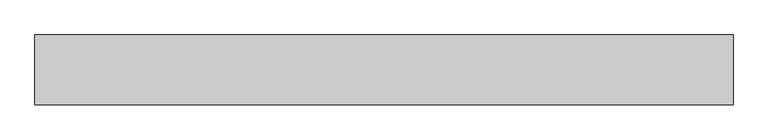
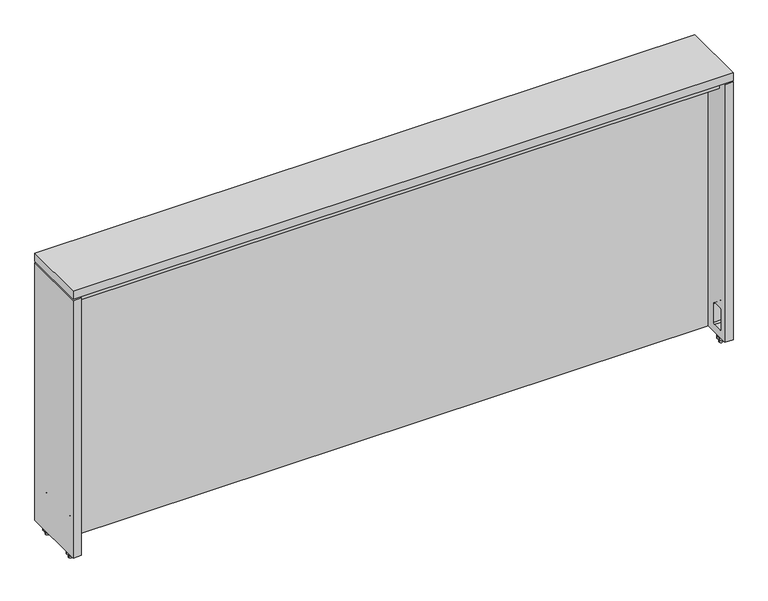
"""IFC4 building model written with IfcOpenShell, lengths in millimetres: furniture geometry."""

from ifc_helpers import new_model, si_unit, frame, origin, place, context, project, spatial, polyline, circle_curve, outline, extrude, source, transform, mapped, element, save
from ifc_brep_helpers import plane_surface, cylinder_surface, revolved_surface, advanced_brep


def furniture_98c60b58(model_context):
    return source(origin(), model_context, "Body", "SolidModel", [
        advanced_brep(
        [(14.8424964, 46.4820011, 675.8939913), (7.0007436, 46.4820011, 675.8939913), (14.8424964, 46.4820011, 657.1431009), (7.0007436, 46.4820011, 657.1431009), (14.8424964, 46.4820011, 672.103743), (7.0007436, 46.4820011, 672.103743), (7.0007436, 46.4820011, 665.7536945), (14.8424964, 46.4820011, 665.7536945), (7.9135991, 58.3669548, 672.103743), (4.1875161, 51.9131905, 672.103743), (3.6826201, 50.0288929, 672.103743), (3.6826201, 43.00498, 672.103743), (4.2224512, 40.9903023, 672.103743), (7.9107277, 34.6020186, 672.103743), (13.9325135, 34.6020186, 672.103743), (17.6207899, 40.9903023, 672.103743), (18.160621, 43.00498, 672.103743), (18.160621, 50.0288929, 672.103743), (17.655725, 51.9131905, 672.103743), (13.929642, 58.3669548, 672.103743), (7.9135991, 58.3669548, 665.7536945), (13.929642, 58.3669548, 665.7536945), (17.655725, 51.9131905, 665.7536945), (18.160621, 50.0288929, 665.7536945), (18.160621, 43.00498, 665.7536945), (17.6207899, 40.9903023, 665.7536945), (13.9325135, 34.6020186, 665.7536945), (7.9107277, 34.6020186, 665.7536945), (4.2224512, 40.9903023, 665.7536945), (3.6826201, 43.00498, 665.7536945), (3.6826201, 50.0288929, 665.7536945), (4.1875161, 51.9131905, 665.7536945)],
        [
            (0, 1, circle_curve(frame((10.92162, 46.4820011, 675.8939913), z_axis=(0.0, 0.0, 1.0), x_axis=(-1.0, 0.0, 0.0)), 3.9208764)),
            (1, 0, circle_curve(frame((10.92162, 46.4820011, 675.8939913), z_axis=(0.0, 0.0, 1.0), x_axis=(-1.0, 0.0, 0.0)), 3.9208764)),
            (2, 3, circle_curve(frame((10.92162, 46.4820011, 657.1431009), z_axis=(0.0, 0.0, -1.0), x_axis=(-1.0, 0.0, 0.0)), 3.9208764)),
            (3, 2, circle_curve(frame((10.92162, 46.4820011, 657.1431009), z_axis=(0.0, 0.0, -1.0), x_axis=(-1.0, 0.0, 0.0)), 3.9208764)),
            (0, 4),
            (4, 5, circle_curve(frame((10.92162, 46.4820011, 672.103743), z_axis=(0.0, 0.0, 1.0), x_axis=(-1.0, 0.0, 0.0)), 3.9208764)),
            (5, 1),
            (3, 6),
            (6, 7, circle_curve(frame((10.92162, 46.4820011, 665.7536945), z_axis=(0.0, 0.0, -1.0), x_axis=(-1.0, 0.0, 0.0)), 3.9208764)),
            (7, 2),
            (5, 4, circle_curve(frame((10.92162, 46.4820011, 672.103743), z_axis=(0.0, 0.0, 1.0), x_axis=(-1.0, 0.0, 0.0)), 3.9208764)),
            (7, 6, circle_curve(frame((10.92162, 46.4820011, 665.7536945), z_axis=(0.0, 0.0, -1.0), x_axis=(-1.0, 0.0, 0.0)), 3.9208764)),
            (8, 9),
            (9, 10, circle_curve(frame((7.4512149, 50.0288929, 672.103743), z_axis=(0.0, 0.0, 1.0), x_axis=(-1.0, 0.0, 0.0)), 3.7685949)),
            (10, 11),
            (11, 12, circle_curve(frame((7.7119762, 43.00498, 672.103743), z_axis=(0.0, 0.0, 1.0), x_axis=(-1.0, 0.0, 0.0)), 4.0293561)),
            (12, 13),
            (13, 14, circle_curve(frame((10.9216206, 36.340358, 672.103743), z_axis=(0.0, 0.0, 1.0), x_axis=(-1.0, 0.0, 0.0)), 3.4766794)),
            (14, 15),
            (15, 16, circle_curve(frame((14.1312649, 43.00498, 672.103743), z_axis=(0.0, 0.0, 1.0), x_axis=(-1.0, 0.0, 0.0)), 4.0293561)),
            (16, 17),
            (17, 18, circle_curve(frame((14.3920262, 50.0288929, 672.103743), z_axis=(0.0, 0.0, 1.0), x_axis=(-1.0, 0.0, 0.0)), 3.7685949)),
            (18, 19),
            (19, 8, circle_curve(frame((10.9216206, 56.6302727, 672.103743), z_axis=(0.0, 0.0, 1.0), x_axis=(-1.0, 0.0, 0.0)), 3.4733641)),
            (20, 21, circle_curve(frame((10.9216206, 56.6302727, 665.7536945), z_axis=(0.0, 0.0, -1.0), x_axis=(-1.0, 0.0, 0.0)), 3.4733641)),
            (21, 22),
            (22, 23, circle_curve(frame((14.3920262, 50.0288929, 665.7536945), z_axis=(0.0, 0.0, -1.0), x_axis=(-1.0, 0.0, 0.0)), 3.7685949)),
            (23, 24),
            (24, 25, circle_curve(frame((14.1312649, 43.00498, 665.7536945), z_axis=(0.0, 0.0, -1.0), x_axis=(-1.0, 0.0, 0.0)), 4.0293561)),
            (25, 26),
            (26, 27, circle_curve(frame((10.9216206, 36.340358, 665.7536945), z_axis=(0.0, 0.0, -1.0), x_axis=(-1.0, 0.0, 0.0)), 3.4766794)),
            (27, 28),
            (28, 29, circle_curve(frame((7.7119762, 43.00498, 665.7536945), z_axis=(0.0, 0.0, -1.0), x_axis=(-1.0, 0.0, 0.0)), 4.0293561)),
            (29, 30),
            (30, 31, circle_curve(frame((7.4512149, 50.0288929, 665.7536945), z_axis=(0.0, 0.0, -1.0), x_axis=(-1.0, 0.0, 0.0)), 3.7685949)),
            (31, 20),
            (8, 20),
            (31, 9),
            (30, 10),
            (29, 11),
            (28, 12),
            (27, 13),
            (26, 14),
            (25, 15),
            (24, 16),
            (23, 17),
            (22, 18),
            (21, 19),
        ],
        [
            plane_surface(frame((7.0007436, 46.4820011, 675.8939913), z_axis=(0.0, 0.0, 1.0), x_axis=(0.0, -1.0, 0.0))),
            plane_surface(frame((7.0007436, 46.4820011, 657.1431009), z_axis=(0.0, 0.0, -1.0), x_axis=(0.0, 1.0, 0.0))),
            cylinder_surface(frame((10.92162, 46.4820011, 657.1431009), z_axis=(0.0, 0.0, 1.0), x_axis=(-1.0, 0.0, 0.0)), 3.9208764),
            plane_surface(frame((4.0845438, 51.7348373, 672.103743), z_axis=(0.0, 0.0, 1.0), x_axis=(-0.5000000389322666, -0.8660253813068829, 0.0))),
            plane_surface(frame((4.0845438, 51.7348373, 665.7536945), z_axis=(0.0, 0.0, -1.0), x_axis=(0.5000000389322666, 0.8660253813068829, 0.0))),
            plane_surface(frame((7.9135991, 58.3669548, 672.103743), z_axis=(-0.8660253813068829, 0.5000000389322666, 0.0), x_axis=(0.0, 0.0, -1.0))),
            cylinder_surface(frame((7.4512149, 50.0288929, 665.7536945), z_axis=(0.0, 0.0, 1.0), x_axis=(-1.0, 0.0, 0.0)), 3.7685949),
            plane_surface(frame((3.6826201, 50.0288929, 672.103743), z_axis=(-1.0, 0.0, 0.0), x_axis=(0.0, 0.0, -1.0))),
            cylinder_surface(frame((7.7119762, 43.00498, 665.7536945), z_axis=(0.0, 0.0, 1.0), x_axis=(-1.0, 0.0, 0.0)), 4.0293561),
            plane_surface(frame((4.2224512, 40.9903023, 672.103743), z_axis=(-0.8660254554111491, -0.49999991057990395, 0.0), x_axis=(0.0, 0.0, -1.0))),
            cylinder_surface(frame((10.9216206, 36.340358, 665.7536945), z_axis=(0.0, 0.0, 1.0), x_axis=(-1.0, 0.0, 0.0)), 3.4766794),
            plane_surface(frame((13.9325135, 34.6020186, 672.103743), z_axis=(0.8660254554111534, -0.4999999105798964, 0.0), x_axis=(0.0, 0.0, -1.0))),
            cylinder_surface(frame((14.1312649, 43.00498, 665.7536945), z_axis=(0.0, 0.0, 1.0), x_axis=(-1.0, 0.0, 0.0)), 4.0293561),
            plane_surface(frame((18.160621, 43.00498, 672.103743), z_axis=(1.0, 0.0, 0.0), x_axis=(0.0, 0.0, -1.0))),
            cylinder_surface(frame((14.3920262, 50.0288929, 665.7536945), z_axis=(0.0, 0.0, 1.0), x_axis=(-1.0, 0.0, 0.0)), 3.7685949),
            plane_surface(frame((17.655725, 51.9131905, 672.103743), z_axis=(0.8660253813068899, 0.5000000389322544, 0.0), x_axis=(0.0, 0.0, -1.0))),
            cylinder_surface(frame((10.9216206, 56.6302727, 665.7536945), z_axis=(0.0, 0.0, 1.0), x_axis=(-1.0, 0.0, 0.0)), 3.4733641),
        ],
        [
            (0, [[1, 2]]),
            (1, [[3, 4]]),
            (2, [[-1, 5, 6, 7]]),
            (2, [[-4, 8, 9, 10]]),
            (2, [[-2, -7, 11, -5]]),
            (2, [[-3, -10, 12, -8]]),
            (3, [[13, 14, 15, 16, 17, 18, 19, 20, 21, 22, 23, 24], [-6, -11]]),
            (4, [[25, 26, 27, 28, 29, 30, 31, 32, 33, 34, 35, 36], [-9, -12]]),
            (5, [[-13, 37, -36, 38]]),
            (6, [[-14, -38, -35, 39]]),
            (7, [[-15, -39, -34, 40]]),
            (8, [[-16, -40, -33, 41]]),
            (9, [[-17, -41, -32, 42]]),
            (10, [[-18, -42, -31, 43]]),
            (11, [[-19, -43, -30, 44]]),
            (12, [[-20, -44, -29, 45]]),
            (13, [[-21, -45, -28, 46]]),
            (14, [[-22, -46, -27, 47]]),
            (15, [[-23, -47, -26, 48]]),
            (16, [[-24, -48, -25, -37]]),
        ],
    ),
        advanced_brep(
        [(14.8424964, -46.4820011, 675.8939913), (7.0007436, -46.4820011, 675.8939913), (14.8424964, -46.4820011, 657.1431009), (7.0007436, -46.4820011, 657.1431009), (14.8424964, -46.4820011, 672.103743), (7.0007436, -46.4820011, 672.103743), (7.0007436, -46.4820011, 665.7536945), (14.8424964, -46.4820011, 665.7536945), (7.9135991, -58.3669548, 672.103743), (13.929642, -58.3669548, 672.103743), (17.655725, -51.9131905, 672.103743), (18.160621, -50.0288929, 672.103743), (18.160621, -43.00498, 672.103743), (17.6207899, -40.9903023, 672.103743), (13.9325135, -34.6020186, 672.103743), (7.9107277, -34.6020186, 672.103743), (4.2224512, -40.9903023, 672.103743), (3.6826201, -43.00498, 672.103743), (3.6826201, -50.0288929, 672.103743), (4.1875161, -51.9131905, 672.103743), (7.9135991, -58.3669548, 665.7536945), (4.1875161, -51.9131905, 665.7536945), (3.6826201, -50.0288929, 665.7536945), (3.6826201, -43.00498, 665.7536945), (4.2224512, -40.9903023, 665.7536945), (7.9107277, -34.6020186, 665.7536945), (13.9325135, -34.6020186, 665.7536945), (17.6207899, -40.9903023, 665.7536945), (18.160621, -43.00498, 665.7536945), (18.160621, -50.0288929, 665.7536945), (17.655725, -51.9131905, 665.7536945), (13.929642, -58.3669548, 665.7536945)],
        [
            (0, 1, circle_curve(frame((10.92162, -46.4820011, 675.8939913), z_axis=(0.0, 0.0, 1.0), x_axis=(-1.0, 0.0, 0.0)), 3.9208764)),
            (1, 0, circle_curve(frame((10.92162, -46.4820011, 675.8939913), z_axis=(0.0, 0.0, 1.0), x_axis=(-1.0, 0.0, 0.0)), 3.9208764)),
            (2, 3, circle_curve(frame((10.92162, -46.4820011, 657.1431009), z_axis=(0.0, 0.0, -1.0), x_axis=(-1.0, 0.0, 0.0)), 3.9208764)),
            (3, 2, circle_curve(frame((10.92162, -46.4820011, 657.1431009), z_axis=(0.0, 0.0, -1.0), x_axis=(-1.0, 0.0, 0.0)), 3.9208764)),
            (0, 4),
            (4, 5, circle_curve(frame((10.92162, -46.4820011, 672.103743), z_axis=(0.0, 0.0, 1.0), x_axis=(-1.0, 0.0, 0.0)), 3.9208764)),
            (5, 1),
            (3, 6),
            (6, 7, circle_curve(frame((10.92162, -46.4820011, 665.7536945), z_axis=(0.0, 0.0, -1.0), x_axis=(-1.0, 0.0, 0.0)), 3.9208764)),
            (7, 2),
            (5, 4, circle_curve(frame((10.92162, -46.4820011, 672.103743), z_axis=(0.0, 0.0, 1.0), x_axis=(-1.0, 0.0, 0.0)), 3.9208764)),
            (7, 6, circle_curve(frame((10.92162, -46.4820011, 665.7536945), z_axis=(0.0, 0.0, -1.0), x_axis=(-1.0, 0.0, 0.0)), 3.9208764)),
            (8, 9, circle_curve(frame((10.9216206, -56.6302727, 672.103743), z_axis=(0.0, 0.0, 1.0), x_axis=(-1.0, 0.0, 0.0)), 3.4733641)),
            (9, 10),
            (10, 11, circle_curve(frame((14.3920262, -50.0288929, 672.103743), z_axis=(0.0, 0.0, 1.0), x_axis=(-1.0, 0.0, 0.0)), 3.7685949)),
            (11, 12),
            (12, 13, circle_curve(frame((14.1312649, -43.00498, 672.103743), z_axis=(0.0, 0.0, 1.0), x_axis=(-1.0, 0.0, 0.0)), 4.0293561)),
            (13, 14),
            (14, 15, circle_curve(frame((10.9216206, -36.340358, 672.103743), z_axis=(0.0, 0.0, 1.0), x_axis=(-1.0, 0.0, 0.0)), 3.4766794)),
            (15, 16),
            (16, 17, circle_curve(frame((7.7119762, -43.00498, 672.103743), z_axis=(0.0, 0.0, 1.0), x_axis=(-1.0, 0.0, 0.0)), 4.0293561)),
            (17, 18),
            (18, 19, circle_curve(frame((7.4512149, -50.0288929, 672.103743), z_axis=(0.0, 0.0, 1.0), x_axis=(-1.0, 0.0, 0.0)), 3.7685949)),
            (19, 8),
            (20, 21),
            (21, 22, circle_curve(frame((7.4512149, -50.0288929, 665.7536945), z_axis=(0.0, 0.0, -1.0), x_axis=(-1.0, 0.0, 0.0)), 3.7685949)),
            (22, 23),
            (23, 24, circle_curve(frame((7.7119762, -43.00498, 665.7536945), z_axis=(0.0, 0.0, -1.0), x_axis=(-1.0, 0.0, 0.0)), 4.0293561)),
            (24, 25),
            (25, 26, circle_curve(frame((10.9216206, -36.340358, 665.7536945), z_axis=(0.0, 0.0, -1.0), x_axis=(-1.0, 0.0, 0.0)), 3.4766794)),
            (26, 27),
            (27, 28, circle_curve(frame((14.1312649, -43.00498, 665.7536945), z_axis=(0.0, 0.0, -1.0), x_axis=(-1.0, 0.0, 0.0)), 4.0293561)),
            (28, 29),
            (29, 30, circle_curve(frame((14.3920262, -50.0288929, 665.7536945), z_axis=(0.0, 0.0, -1.0), x_axis=(-1.0, 0.0, 0.0)), 3.7685949)),
            (30, 31),
            (31, 20, circle_curve(frame((10.9216206, -56.6302727, 665.7536945), z_axis=(0.0, 0.0, -1.0), x_axis=(-1.0, 0.0, 0.0)), 3.4733641)),
            (8, 20),
            (31, 9),
            (30, 10),
            (29, 11),
            (28, 12),
            (27, 13),
            (26, 14),
            (25, 15),
            (24, 16),
            (23, 17),
            (22, 18),
            (21, 19),
        ],
        [
            plane_surface(frame((7.0007436, 46.4820011, 675.8939913), z_axis=(0.0, 0.0, 1.0), x_axis=(0.0, -1.0, 0.0))),
            plane_surface(frame((7.0007436, 46.4820011, 657.1431009), z_axis=(0.0, 0.0, -1.0), x_axis=(0.0, 1.0, 0.0))),
            cylinder_surface(frame((10.92162, -46.4820011, 657.1431009), z_axis=(0.0, 0.0, 1.0), x_axis=(-1.0, 0.0, 0.0)), 3.9208764),
            plane_surface(frame((4.0845438, 51.7348373, 672.103743), z_axis=(0.0, 0.0, 1.0), x_axis=(-0.5000000389322666, -0.8660253813068829, 0.0))),
            plane_surface(frame((4.0845438, 51.7348373, 665.7536945), z_axis=(0.0, 0.0, -1.0), x_axis=(0.5000000389322666, 0.8660253813068829, 0.0))),
            cylinder_surface(frame((10.9216206, -56.6302727, 657.1431009), z_axis=(0.0, 0.0, 1.0), x_axis=(-1.0, 0.0, 0.0)), 3.4733641),
            plane_surface(frame((13.929642, -58.3669548, 672.103743), z_axis=(0.8660253813068899, -0.5000000389322544, 0.0), x_axis=(0.0, 0.0, -1.0))),
            cylinder_surface(frame((14.3920262, -50.0288929, 657.1431009), z_axis=(0.0, 0.0, 1.0), x_axis=(-1.0, 0.0, 0.0)), 3.7685949),
            plane_surface(frame((18.160621, -50.0288929, 672.103743), z_axis=(1.0, 0.0, 0.0), x_axis=(0.0, 0.0, -1.0))),
            cylinder_surface(frame((14.1312649, -43.00498, 657.1431009), z_axis=(0.0, 0.0, 1.0), x_axis=(-1.0, 0.0, 0.0)), 4.0293561),
            plane_surface(frame((17.6207899, -40.9903023, 672.103743), z_axis=(0.8660254554111536, 0.4999999105798962, 0.0), x_axis=(0.0, 0.0, -1.0))),
            cylinder_surface(frame((10.9216206, -36.340358, 657.1431009), z_axis=(0.0, 0.0, 1.0), x_axis=(-1.0, 0.0, 0.0)), 3.4766794),
            plane_surface(frame((7.9107277, -34.6020186, 672.103743), z_axis=(-0.8660254554111491, 0.49999991057990395, 0.0), x_axis=(0.0, 0.0, -1.0))),
            cylinder_surface(frame((7.7119762, -43.00498, 657.1431009), z_axis=(0.0, 0.0, 1.0), x_axis=(-1.0, 0.0, 0.0)), 4.0293561),
            plane_surface(frame((3.6826201, -43.00498, 672.103743), z_axis=(-1.0, 0.0, 0.0), x_axis=(0.0, 0.0, -1.0))),
            cylinder_surface(frame((7.4512149, -50.0288929, 657.1431009), z_axis=(0.0, 0.0, 1.0), x_axis=(-1.0, 0.0, 0.0)), 3.7685949),
            plane_surface(frame((4.1875161, -51.9131905, 672.103743), z_axis=(-0.8660253813068829, -0.5000000389322666, 0.0), x_axis=(0.0, 0.0, -1.0))),
        ],
        [
            (0, [[1, 2]]),
            (1, [[3, 4]]),
            (2, [[-1, 5, 6, 7]]),
            (2, [[-4, 8, 9, 10]]),
            (2, [[-2, -7, 11, -5]]),
            (2, [[-3, -10, 12, -8]]),
            (3, [[13, 14, 15, 16, 17, 18, 19, 20, 21, 22, 23, 24], [-6, -11]]),
            (4, [[25, 26, 27, 28, 29, 30, 31, 32, 33, 34, 35, 36], [-9, -12]]),
            (5, [[-13, 37, -36, 38]]),
            (6, [[-14, -38, -35, 39]]),
            (7, [[-15, -39, -34, 40]]),
            (8, [[-16, -40, -33, 41]]),
            (9, [[-17, -41, -32, 42]]),
            (10, [[-18, -42, -31, 43]]),
            (11, [[-19, -43, -30, 44]]),
            (12, [[-20, -44, -29, 45]]),
            (13, [[-21, -45, -28, 46]]),
            (14, [[-22, -46, -27, 47]]),
            (15, [[-23, -47, -26, 48]]),
            (16, [[-24, -48, -25, -37]]),
        ],
    ),
        advanced_brep(
        [(1516.9992564, 46.4820011, 675.8939913), (1509.1575036, 46.4820011, 675.8939913), (1516.9992564, 46.4820011, 657.1431009), (1509.1575036, 46.4820011, 657.1431009), (1516.9992564, 46.4820011, 672.103743), (1509.1575036, 46.4820011, 672.103743), (1509.1575036, 46.4820011, 665.7536945), (1516.9992564, 46.4820011, 665.7536945), (1516.0864009, 58.3669548, 672.103743), (1510.070358, 58.3669548, 672.103743), (1506.344275, 51.9131905, 672.103743), (1505.839379, 50.0288929, 672.103743), (1505.839379, 43.00498, 672.103743), (1506.3792101, 40.9903023, 672.103743), (1510.0674865, 34.6020186, 672.103743), (1516.0892723, 34.6020186, 672.103743), (1519.7775488, 40.9903023, 672.103743), (1520.3173799, 43.00498, 672.103743), (1520.3173799, 50.0288929, 672.103743), (1519.8124839, 51.9131905, 672.103743), (1516.0864009, 58.3669548, 665.7536945), (1519.8124839, 51.9131905, 665.7536945), (1520.3173799, 50.0288929, 665.7536945), (1520.3173799, 43.00498, 665.7536945), (1519.7775488, 40.9903023, 665.7536945), (1516.0892723, 34.6020186, 665.7536945), (1510.0674865, 34.6020186, 665.7536945), (1506.3792101, 40.9903023, 665.7536945), (1505.839379, 43.00498, 665.7536945), (1505.839379, 50.0288929, 665.7536945), (1506.344275, 51.9131905, 665.7536945), (1510.070358, 58.3669548, 665.7536945)],
        [
            (0, 1, circle_curve(frame((1513.07838, 46.4820011, 675.8939913), z_axis=(0.0, 0.0, 1.0), x_axis=(-1.0, 0.0, 0.0)), 3.9208764)),
            (1, 0, circle_curve(frame((1513.07838, 46.4820011, 675.8939913), z_axis=(0.0, 0.0, 1.0), x_axis=(-1.0, 0.0, 0.0)), 3.9208764)),
            (2, 3, circle_curve(frame((1513.07838, 46.4820011, 657.1431009), z_axis=(0.0, 0.0, -1.0), x_axis=(-1.0, 0.0, 0.0)), 3.9208764)),
            (3, 2, circle_curve(frame((1513.07838, 46.4820011, 657.1431009), z_axis=(0.0, 0.0, -1.0), x_axis=(-1.0, 0.0, 0.0)), 3.9208764)),
            (0, 4),
            (4, 5, circle_curve(frame((1513.07838, 46.4820011, 672.103743), z_axis=(0.0, 0.0, 1.0), x_axis=(-1.0, 0.0, 0.0)), 3.9208764)),
            (5, 1),
            (3, 6),
            (6, 7, circle_curve(frame((1513.07838, 46.4820011, 665.7536945), z_axis=(0.0, 0.0, -1.0), x_axis=(-1.0, 0.0, 0.0)), 3.9208764)),
            (7, 2),
            (5, 4, circle_curve(frame((1513.07838, 46.4820011, 672.103743), z_axis=(0.0, 0.0, 1.0), x_axis=(-1.0, 0.0, 0.0)), 3.9208764)),
            (7, 6, circle_curve(frame((1513.07838, 46.4820011, 665.7536945), z_axis=(0.0, 0.0, -1.0), x_axis=(-1.0, 0.0, 0.0)), 3.9208764)),
            (8, 9, circle_curve(frame((1513.0783794, 56.6302727, 672.103743), z_axis=(0.0, 0.0, 1.0), x_axis=(-1.0, 0.0, 0.0)), 3.4733641)),
            (9, 10),
            (10, 11, circle_curve(frame((1509.6079738, 50.0288929, 672.103743), z_axis=(0.0, 0.0, 1.0), x_axis=(-1.0, 0.0, 0.0)), 3.7685949)),
            (11, 12),
            (12, 13, circle_curve(frame((1509.8687351, 43.00498, 672.103743), z_axis=(0.0, 0.0, 1.0), x_axis=(-1.0, 0.0, 0.0)), 4.0293561)),
            (13, 14),
            (14, 15, circle_curve(frame((1513.0783794, 36.340358, 672.103743), z_axis=(0.0, 0.0, 1.0), x_axis=(-1.0, 0.0, 0.0)), 3.4766794)),
            (15, 16),
            (16, 17, circle_curve(frame((1516.2880238, 43.00498, 672.103743), z_axis=(0.0, 0.0, 1.0), x_axis=(-1.0, 0.0, 0.0)), 4.0293561)),
            (17, 18),
            (18, 19, circle_curve(frame((1516.5487851, 50.0288929, 672.103743), z_axis=(0.0, 0.0, 1.0), x_axis=(-1.0, 0.0, 0.0)), 3.7685949)),
            (19, 8),
            (20, 21),
            (21, 22, circle_curve(frame((1516.5487851, 50.0288929, 665.7536945), z_axis=(0.0, 0.0, -1.0), x_axis=(-1.0, 0.0, 0.0)), 3.7685949)),
            (22, 23),
            (23, 24, circle_curve(frame((1516.2880238, 43.00498, 665.7536945), z_axis=(0.0, 0.0, -1.0), x_axis=(-1.0, 0.0, 0.0)), 4.0293561)),
            (24, 25),
            (25, 26, circle_curve(frame((1513.0783794, 36.340358, 665.7536945), z_axis=(0.0, 0.0, -1.0), x_axis=(-1.0, 0.0, 0.0)), 3.4766794)),
            (26, 27),
            (27, 28, circle_curve(frame((1509.8687351, 43.00498, 665.7536945), z_axis=(0.0, 0.0, -1.0), x_axis=(-1.0, 0.0, 0.0)), 4.0293561)),
            (28, 29),
            (29, 30, circle_curve(frame((1509.6079738, 50.0288929, 665.7536945), z_axis=(0.0, 0.0, -1.0), x_axis=(-1.0, 0.0, 0.0)), 3.7685949)),
            (30, 31),
            (31, 20, circle_curve(frame((1513.0783794, 56.6302727, 665.7536945), z_axis=(0.0, 0.0, -1.0), x_axis=(-1.0, 0.0, 0.0)), 3.4733641)),
            (8, 20),
            (31, 9),
            (30, 10),
            (29, 11),
            (28, 12),
            (27, 13),
            (26, 14),
            (25, 15),
            (24, 16),
            (23, 17),
            (22, 18),
            (21, 19),
        ],
        [
            plane_surface(frame((7.0007436, 46.4820011, 675.8939913), z_axis=(0.0, 0.0, 1.0), x_axis=(0.0, -1.0, 0.0))),
            plane_surface(frame((7.0007436, 46.4820011, 657.1431009), z_axis=(0.0, 0.0, -1.0), x_axis=(0.0, 1.0, 0.0))),
            cylinder_surface(frame((1513.07838, 46.4820011, 657.1431009), z_axis=(0.0, 0.0, 1.0), x_axis=(-1.0, 0.0, 0.0)), 3.9208764),
            plane_surface(frame((4.0845438, 51.7348373, 672.103743), z_axis=(0.0, 0.0, 1.0), x_axis=(-0.5000000389322666, -0.8660253813068829, 0.0))),
            plane_surface(frame((4.0845438, 51.7348373, 665.7536945), z_axis=(0.0, 0.0, -1.0), x_axis=(0.5000000389322666, 0.8660253813068829, 0.0))),
            cylinder_surface(frame((1513.0783794, 56.6302727, 657.1431009), z_axis=(0.0, 0.0, 1.0), x_axis=(-1.0, 0.0, 0.0)), 3.4733641),
            plane_surface(frame((1510.070358, 58.3669548, 672.103743), z_axis=(-0.866025381306877, 0.500000038932277, 0.0), x_axis=(0.0, 0.0, -1.0))),
            cylinder_surface(frame((1509.6079738, 50.0288929, 657.1431009), z_axis=(0.0, 0.0, 1.0), x_axis=(-1.0, 0.0, 0.0)), 3.7685949),
            plane_surface(frame((1505.839379, 50.0288929, 672.103743), z_axis=(-1.0, 0.0, 0.0), x_axis=(0.0, 0.0, -1.0))),
            cylinder_surface(frame((1509.8687351, 43.00498, 657.1431009), z_axis=(0.0, 0.0, 1.0), x_axis=(-1.0, 0.0, 0.0)), 4.0293561),
            plane_surface(frame((1506.3792101, 40.9903023, 672.103743), z_axis=(-0.8660254554111592, -0.4999999105798864, 0.0), x_axis=(0.0, 0.0, -1.0))),
            cylinder_surface(frame((1513.0783794, 36.340358, 657.1431009), z_axis=(0.0, 0.0, 1.0), x_axis=(-1.0, 0.0, 0.0)), 3.4766794),
            plane_surface(frame((1516.0892723, 34.6020186, 672.103743), z_axis=(0.8660254554111448, -0.4999999105799112, 0.0), x_axis=(0.0, 0.0, -1.0))),
            cylinder_surface(frame((1516.2880238, 43.00498, 657.1431009), z_axis=(0.0, 0.0, 1.0), x_axis=(-1.0, 0.0, 0.0)), 4.0293561),
            plane_surface(frame((1520.3173799, 43.00498, 672.103743), z_axis=(1.0, 0.0, 0.0), x_axis=(0.0, 0.0, -1.0))),
            cylinder_surface(frame((1516.5487851, 50.0288929, 657.1431009), z_axis=(0.0, 0.0, 1.0), x_axis=(-1.0, 0.0, 0.0)), 3.7685949),
            plane_surface(frame((1519.8124839, 51.9131905, 672.103743), z_axis=(0.8660253813068912, 0.5000000389322521, 0.0), x_axis=(0.0, 0.0, -1.0))),
        ],
        [
            (0, [[1, 2]]),
            (1, [[3, 4]]),
            (2, [[-1, 5, 6, 7]]),
            (2, [[-4, 8, 9, 10]]),
            (2, [[-2, -7, 11, -5]]),
            (2, [[-3, -10, 12, -8]]),
            (3, [[13, 14, 15, 16, 17, 18, 19, 20, 21, 22, 23, 24], [-6, -11]]),
            (4, [[25, 26, 27, 28, 29, 30, 31, 32, 33, 34, 35, 36], [-9, -12]]),
            (5, [[-13, 37, -36, 38]]),
            (6, [[-14, -38, -35, 39]]),
            (7, [[-15, -39, -34, 40]]),
            (8, [[-16, -40, -33, 41]]),
            (9, [[-17, -41, -32, 42]]),
            (10, [[-18, -42, -31, 43]]),
            (11, [[-19, -43, -30, 44]]),
            (12, [[-20, -44, -29, 45]]),
            (13, [[-21, -45, -28, 46]]),
            (14, [[-22, -46, -27, 47]]),
            (15, [[-23, -47, -26, 48]]),
            (16, [[-24, -48, -25, -37]]),
        ],
    ),
        advanced_brep(
        [(1516.9992564, -46.4820011, 675.8939913), (1509.1575036, -46.4820011, 675.8939913), (1516.9992564, -46.4820011, 657.1431009), (1509.1575036, -46.4820011, 657.1431009), (1516.9992564, -46.4820011, 672.103743), (1509.1575036, -46.4820011, 672.103743), (1509.1575036, -46.4820011, 665.7536945), (1516.9992564, -46.4820011, 665.7536945), (1516.0864009, -58.3669548, 672.103743), (1519.8124839, -51.9131905, 672.103743), (1520.3173799, -50.0288929, 672.103743), (1520.3173799, -43.00498, 672.103743), (1519.7775488, -40.9903023, 672.103743), (1516.0892723, -34.6020186, 672.103743), (1510.0674865, -34.6020186, 672.103743), (1506.3792101, -40.9903023, 672.103743), (1505.839379, -43.00498, 672.103743), (1505.839379, -50.0288929, 672.103743), (1506.344275, -51.9131905, 672.103743), (1510.070358, -58.3669548, 672.103743), (1516.0864009, -58.3669548, 665.7536945), (1510.070358, -58.3669548, 665.7536945), (1506.344275, -51.9131905, 665.7536945), (1505.839379, -50.0288929, 665.7536945), (1505.839379, -43.00498, 665.7536945), (1506.3792101, -40.9903023, 665.7536945), (1510.0674865, -34.6020186, 665.7536945), (1516.0892723, -34.6020186, 665.7536945), (1519.7775488, -40.9903023, 665.7536945), (1520.3173799, -43.00498, 665.7536945), (1520.3173799, -50.0288929, 665.7536945), (1519.8124839, -51.9131905, 665.7536945)],
        [
            (0, 1, circle_curve(frame((1513.07838, -46.4820011, 675.8939913), z_axis=(0.0, 0.0, 1.0), x_axis=(-1.0, 0.0, 0.0)), 3.9208764)),
            (1, 0, circle_curve(frame((1513.07838, -46.4820011, 675.8939913), z_axis=(0.0, 0.0, 1.0), x_axis=(-1.0, 0.0, 0.0)), 3.9208764)),
            (2, 3, circle_curve(frame((1513.07838, -46.4820011, 657.1431009), z_axis=(0.0, 0.0, -1.0), x_axis=(-1.0, 0.0, 0.0)), 3.9208764)),
            (3, 2, circle_curve(frame((1513.07838, -46.4820011, 657.1431009), z_axis=(0.0, 0.0, -1.0), x_axis=(-1.0, 0.0, 0.0)), 3.9208764)),
            (0, 4),
            (4, 5, circle_curve(frame((1513.07838, -46.4820011, 672.103743), z_axis=(0.0, 0.0, 1.0), x_axis=(-1.0, 0.0, 0.0)), 3.9208764)),
            (5, 1),
            (3, 6),
            (6, 7, circle_curve(frame((1513.07838, -46.4820011, 665.7536945), z_axis=(0.0, 0.0, -1.0), x_axis=(-1.0, 0.0, 0.0)), 3.9208764)),
            (7, 2),
            (5, 4, circle_curve(frame((1513.07838, -46.4820011, 672.103743), z_axis=(0.0, 0.0, 1.0), x_axis=(-1.0, 0.0, 0.0)), 3.9208764)),
            (7, 6, circle_curve(frame((1513.07838, -46.4820011, 665.7536945), z_axis=(0.0, 0.0, -1.0), x_axis=(-1.0, 0.0, 0.0)), 3.9208764)),
            (8, 9),
            (9, 10, circle_curve(frame((1516.5487851, -50.0288929, 672.103743), z_axis=(0.0, 0.0, 1.0), x_axis=(-1.0, 0.0, 0.0)), 3.7685949)),
            (10, 11),
            (11, 12, circle_curve(frame((1516.2880238, -43.00498, 672.103743), z_axis=(0.0, 0.0, 1.0), x_axis=(-1.0, 0.0, 0.0)), 4.0293561)),
            (12, 13),
            (13, 14, circle_curve(frame((1513.0783794, -36.340358, 672.103743), z_axis=(0.0, 0.0, 1.0), x_axis=(-1.0, 0.0, 0.0)), 3.4766794)),
            (14, 15),
            (15, 16, circle_curve(frame((1509.8687351, -43.00498, 672.103743), z_axis=(0.0, 0.0, 1.0), x_axis=(-1.0, 0.0, 0.0)), 4.0293561)),
            (16, 17),
            (17, 18, circle_curve(frame((1509.6079738, -50.0288929, 672.103743), z_axis=(0.0, 0.0, 1.0), x_axis=(-1.0, 0.0, 0.0)), 3.7685949)),
            (18, 19),
            (19, 8, circle_curve(frame((1513.0783794, -56.6302727, 672.103743), z_axis=(0.0, 0.0, 1.0), x_axis=(-1.0, 0.0, 0.0)), 3.4733641)),
            (20, 21, circle_curve(frame((1513.0783794, -56.6302727, 665.7536945), z_axis=(0.0, 0.0, -1.0), x_axis=(-1.0, 0.0, 0.0)), 3.4733641)),
            (21, 22),
            (22, 23, circle_curve(frame((1509.6079738, -50.0288929, 665.7536945), z_axis=(0.0, 0.0, -1.0), x_axis=(-1.0, 0.0, 0.0)), 3.7685949)),
            (23, 24),
            (24, 25, circle_curve(frame((1509.8687351, -43.00498, 665.7536945), z_axis=(0.0, 0.0, -1.0), x_axis=(-1.0, 0.0, 0.0)), 4.0293561)),
            (25, 26),
            (26, 27, circle_curve(frame((1513.0783794, -36.340358, 665.7536945), z_axis=(0.0, 0.0, -1.0), x_axis=(-1.0, 0.0, 0.0)), 3.4766794)),
            (27, 28),
            (28, 29, circle_curve(frame((1516.2880238, -43.00498, 665.7536945), z_axis=(0.0, 0.0, -1.0), x_axis=(-1.0, 0.0, 0.0)), 4.0293561)),
            (29, 30),
            (30, 31, circle_curve(frame((1516.5487851, -50.0288929, 665.7536945), z_axis=(0.0, 0.0, -1.0), x_axis=(-1.0, 0.0, 0.0)), 3.7685949)),
            (31, 20),
            (8, 20),
            (31, 9),
            (30, 10),
            (29, 11),
            (28, 12),
            (27, 13),
            (26, 14),
            (25, 15),
            (24, 16),
            (23, 17),
            (22, 18),
            (21, 19),
        ],
        [
            plane_surface(frame((7.0007436, 46.4820011, 675.8939913), z_axis=(0.0, 0.0, 1.0), x_axis=(0.0, -1.0, 0.0))),
            plane_surface(frame((7.0007436, 46.4820011, 657.1431009), z_axis=(0.0, 0.0, -1.0), x_axis=(0.0, 1.0, 0.0))),
            cylinder_surface(frame((1513.07838, -46.4820011, 657.1431009), z_axis=(0.0, 0.0, 1.0), x_axis=(-1.0, 0.0, 0.0)), 3.9208764),
            plane_surface(frame((4.0845438, 51.7348373, 672.103743), z_axis=(0.0, 0.0, 1.0), x_axis=(-0.5000000389322666, -0.8660253813068829, 0.0))),
            plane_surface(frame((4.0845438, 51.7348373, 665.7536945), z_axis=(0.0, 0.0, -1.0), x_axis=(0.5000000389322666, 0.8660253813068829, 0.0))),
            plane_surface(frame((1516.0864009, -58.3669548, 672.103743), z_axis=(0.866025381306887, -0.5000000389322594, 0.0), x_axis=(0.0, 0.0, -1.0))),
            cylinder_surface(frame((1516.5487851, -50.0288929, 657.1431009), z_axis=(0.0, 0.0, 1.0), x_axis=(-1.0, 0.0, 0.0)), 3.7685949),
            plane_surface(frame((1520.3173799, -50.0288929, 672.103743), z_axis=(1.0, 0.0, 0.0), x_axis=(0.0, 0.0, -1.0))),
            cylinder_surface(frame((1516.2880238, -43.00498, 657.1431009), z_axis=(0.0, 0.0, 1.0), x_axis=(-1.0, 0.0, 0.0)), 4.0293561),
            plane_surface(frame((1519.7775488, -40.9903023, 672.103743), z_axis=(0.866025455411158, 0.49999991057988846, 0.0), x_axis=(0.0, 0.0, -1.0))),
            cylinder_surface(frame((1513.0783794, -36.340358, 657.1431009), z_axis=(0.0, 0.0, 1.0), x_axis=(-1.0, 0.0, 0.0)), 3.4766794),
            plane_surface(frame((1510.0674865, -34.6020186, 672.103743), z_axis=(-0.8660254554111537, 0.49999991057989585, 0.0), x_axis=(0.0, 0.0, -1.0))),
            cylinder_surface(frame((1509.8687351, -43.00498, 657.1431009), z_axis=(0.0, 0.0, 1.0), x_axis=(-1.0, 0.0, 0.0)), 4.0293561),
            plane_surface(frame((1505.839379, -43.00498, 672.103743), z_axis=(-1.0, 0.0, 0.0), x_axis=(0.0, 0.0, -1.0))),
            cylinder_surface(frame((1509.6079738, -50.0288929, 657.1431009), z_axis=(0.0, 0.0, 1.0), x_axis=(-1.0, 0.0, 0.0)), 3.7685949),
            plane_surface(frame((1506.344275, -51.9131905, 672.103743), z_axis=(-0.8660253813068481, -0.5000000389323267, 0.0), x_axis=(0.0, 0.0, -1.0))),
            cylinder_surface(frame((1513.0783794, -56.6302727, 657.1431009), z_axis=(0.0, 0.0, 1.0), x_axis=(-1.0, 0.0, 0.0)), 3.4733641),
        ],
        [
            (0, [[1, 2]]),
            (1, [[3, 4]]),
            (2, [[-1, 5, 6, 7]]),
            (2, [[-4, 8, 9, 10]]),
            (2, [[-2, -7, 11, -5]]),
            (2, [[-3, -10, 12, -8]]),
            (3, [[13, 14, 15, 16, 17, 18, 19, 20, 21, 22, 23, 24], [-6, -11]]),
            (4, [[25, 26, 27, 28, 29, 30, 31, 32, 33, 34, 35, 36], [-9, -12]]),
            (5, [[-13, 37, -36, 38]]),
            (6, [[-14, -38, -35, 39]]),
            (7, [[-15, -39, -34, 40]]),
            (8, [[-16, -40, -33, 41]]),
            (9, [[-17, -41, -32, 42]]),
            (10, [[-18, -42, -31, 43]]),
            (11, [[-19, -43, -30, 44]]),
            (12, [[-20, -44, -29, 45]]),
            (13, [[-21, -45, -28, 46]]),
            (14, [[-22, -46, -27, 47]]),
            (15, [[-23, -47, -26, 48]]),
            (16, [[-24, -48, -25, -37]]),
        ],
    ),
        advanced_brep(
        [(19.3039998, 76.2, 1304.7979729), (0.0, 76.2, 1304.7979729), (0.0, -76.2, 1304.7979729), (19.3039998, -76.2, 1304.7979729), (19.3039998, 76.2, 675.8939913), (19.3039998, -76.2, 675.8939913), (0.0, -76.2, 675.8939913), (0.0, 76.2, 675.8939913), (19.3039998, 35.3695003, 747.3314913), (19.3039998, 57.5944769, 747.3314913), (19.3039998, 60.7695011, 744.1564671), (19.3039998, 60.7695011, 698.1189928), (19.3039998, 57.5944996, 694.9439913), (19.3039998, 35.3695003, 694.9439913), (19.3039998, 32.1945011, 698.1189905), (19.3039998, 32.1945011, 744.156492), (19.3039998, -35.3695003, 747.3314913), (19.3039998, -32.1945011, 744.156492), (19.3039998, -32.1945011, 698.1189905), (19.3039998, -35.3695003, 694.9439913), (19.3039998, -57.5944996, 694.9439913), (19.3039998, -60.7695011, 698.1189928), (19.3039998, -60.7695011, 744.1564671), (19.3039998, -57.5944769, 747.3314913), (2.6221493, 35.3695003, 747.3314913), (2.6221493, 32.1945011, 744.156492), (2.6221493, 32.1945011, 698.1189905), (2.6221493, 35.3695003, 694.9439913), (2.6221493, 57.5944996, 694.9439913), (2.6221493, 60.7695011, 698.1189928), (2.6221493, 60.7695011, 744.1564671), (2.6221493, 57.5944769, 747.3314913), (2.6221493, -35.3695003, 747.3314913), (2.6221493, -57.5944769, 747.3314913), (2.6221493, -60.7695011, 744.1564671), (2.6221493, -60.7695011, 698.1189928), (2.6221493, -57.5944996, 694.9439913), (2.6221493, -35.3695003, 694.9439913), (2.6221493, -32.1945011, 698.1189905), (2.6221493, -32.1945011, 744.156492)],
        [
            (0, 1),
            (1, 2),
            (2, 3),
            (3, 0),
            (4, 5),
            (5, 6),
            (6, 7),
            (7, 4),
            (0, 4),
            (7, 1),
            (6, 2),
            (5, 3),
            (8, 9),
            (9, 10, circle_curve(frame((19.3039998, 57.5944769, 744.1564671), z_axis=(-1.0, 0.0, 0.0), x_axis=(0.0, -1.0, 0.0)), 3.1750242)),
            (10, 11),
            (11, 12, circle_curve(frame((19.3039998, 57.5944996, 698.1189928), z_axis=(-1.0, 0.0, 0.0), x_axis=(0.0, -1.0, 0.0)), 3.1750015)),
            (12, 13),
            (13, 14, circle_curve(frame((19.3039998, 35.3695003, 698.1189905), z_axis=(-1.0, 0.0, 0.0), x_axis=(0.0, -1.0, 0.0)), 3.1749992)),
            (14, 15),
            (15, 8, circle_curve(frame((19.3039998, 35.3695003, 744.156492), z_axis=(-1.0, 0.0, 0.0), x_axis=(0.0, -1.0, 0.0)), 3.1749992)),
            (16, 17, circle_curve(frame((19.3039998, -35.3695003, 744.156492), z_axis=(-1.0, 0.0, 0.0), x_axis=(0.0, -1.0, 0.0)), 3.1749992)),
            (17, 18),
            (18, 19, circle_curve(frame((19.3039998, -35.3695003, 698.1189905), z_axis=(-1.0, 0.0, 0.0), x_axis=(0.0, -1.0, 0.0)), 3.1749992)),
            (19, 20),
            (20, 21, circle_curve(frame((19.3039998, -57.5944996, 698.1189928), z_axis=(-1.0, 0.0, 0.0), x_axis=(0.0, -1.0, 0.0)), 3.1750015)),
            (21, 22),
            (22, 23, circle_curve(frame((19.3039998, -57.5944769, 744.1564671), z_axis=(-1.0, 0.0, 0.0), x_axis=(0.0, -1.0, 0.0)), 3.1750242)),
            (23, 16),
            (24, 25, circle_curve(frame((2.6221493, 35.3695003, 744.156492), z_axis=(1.0, 0.0, 0.0), x_axis=(0.0, -1.0, 0.0)), 3.1749992)),
            (25, 26),
            (26, 27, circle_curve(frame((2.6221493, 35.3695003, 698.1189905), z_axis=(1.0, 0.0, 0.0), x_axis=(0.0, -1.0, 0.0)), 3.1749992)),
            (27, 28),
            (28, 29, circle_curve(frame((2.6221493, 57.5944996, 698.1189928), z_axis=(1.0, 0.0, 0.0), x_axis=(0.0, -1.0, 0.0)), 3.1750015)),
            (29, 30),
            (30, 31, circle_curve(frame((2.6221493, 57.5944769, 744.1564671), z_axis=(1.0, 0.0, 0.0), x_axis=(0.0, -1.0, 0.0)), 3.1750242)),
            (31, 24),
            (32, 33),
            (33, 34, circle_curve(frame((2.6221493, -57.5944769, 744.1564671), z_axis=(1.0, 0.0, 0.0), x_axis=(0.0, -1.0, 0.0)), 3.1750242)),
            (34, 35),
            (35, 36, circle_curve(frame((2.6221493, -57.5944996, 698.1189928), z_axis=(1.0, 0.0, 0.0), x_axis=(0.0, -1.0, 0.0)), 3.1750015)),
            (36, 37),
            (37, 38, circle_curve(frame((2.6221493, -35.3695003, 698.1189905), z_axis=(1.0, 0.0, 0.0), x_axis=(0.0, -1.0, 0.0)), 3.1749992)),
            (38, 39),
            (39, 32, circle_curve(frame((2.6221493, -35.3695003, 744.156492), z_axis=(1.0, 0.0, 0.0), x_axis=(0.0, -1.0, 0.0)), 3.1749992)),
            (31, 9),
            (8, 24),
            (30, 10),
            (29, 11),
            (28, 12),
            (27, 13),
            (26, 14),
            (25, 15),
            (39, 17),
            (16, 32),
            (38, 18),
            (37, 19),
            (36, 20),
            (35, 21),
            (34, 22),
            (33, 23),
        ],
        [
            plane_surface(frame((0.0, 76.2, 1304.7979729), z_axis=(0.0, 0.0, 1.0), x_axis=(-1.0, 0.0, 0.0))),
            plane_surface(frame((0.0, 76.2, 675.8939913), z_axis=(0.0, 0.0, -1.0), x_axis=(1.0, 0.0, 0.0))),
            plane_surface(frame((19.3039998, 76.2, 1304.7979729), z_axis=(0.0, 1.0, 0.0), x_axis=(0.0, 0.0, -1.0))),
            plane_surface(frame((0.0, 76.2, 1304.7979729), z_axis=(-1.0, 0.0, 0.0), x_axis=(0.0, 0.0, -1.0))),
            plane_surface(frame((0.0, -76.2, 1304.7979729), z_axis=(0.0, -1.0, 0.0), x_axis=(0.0, 0.0, -1.0))),
            plane_surface(frame((19.3039998, -76.2, 1304.7979729), z_axis=(1.0, 0.0, 0.0), x_axis=(0.0, 0.0, -1.0))),
            plane_surface(frame((2.6221493, 57.5944996, 747.3314913), z_axis=(1.0, 0.0, 0.0), x_axis=(0.0, 1.0, 0.0))),
            plane_surface(frame((2.6221493, 35.3695003, 747.3314913), z_axis=(0.0, 0.0, -1.0), x_axis=(1.0, 0.0, 0.0))),
            revolved_surface(polyline([(2.6221493000000002, 54.419452699999994, 744.1564671), (19.3039998, 54.419452699999994, 744.1564671)]), (19.3039998, 57.5944769, 744.1564671), (-1.0, 0.0, 0.0)),
            plane_surface(frame((2.6221493, 60.7695011, 744.1564671), z_axis=(0.0, -1.0, 0.0), x_axis=(1.0, 0.0, 0.0))),
            revolved_surface(polyline([(2.6221493000000002, 54.4194981, 698.1189928), (19.3039998, 54.4194981, 698.1189928)]), (19.3039998, 57.5944996, 698.1189928), (-1.0, 0.0, 0.0)),
            plane_surface(frame((2.6221493, 57.5944996, 694.9439913), z_axis=(0.0, 0.0, 1.0), x_axis=(1.0, 0.0, 0.0))),
            revolved_surface(polyline([(2.6221493000000002, 32.1945011, 698.1189905), (19.3039998, 32.1945011, 698.1189905)]), (19.3039998, 35.3695003, 698.1189905), (-1.0, 0.0, 0.0)),
            plane_surface(frame((2.6221493, 32.1945011, 698.1189905), z_axis=(0.0, 1.0, 0.0), x_axis=(1.0, 0.0, 0.0))),
            revolved_surface(polyline([(2.6221493000000002, 32.1945011, 744.156492), (19.3039998, 32.1945011, 744.156492)]), (19.3039998, 35.3695003, 744.156492), (-1.0, 0.0, 0.0)),
            revolved_surface(polyline([(2.6221493000000002, -38.5444995, 744.156492), (19.3039998, -38.5444995, 744.156492)]), (19.3039998, -35.3695003, 744.156492), (-1.0, 0.0, 0.0)),
            plane_surface(frame((2.6221493, -32.1945011, 744.156492), z_axis=(0.0, -1.0, 0.0), x_axis=(1.0, 0.0, 0.0))),
            revolved_surface(polyline([(2.6221493000000002, -38.5444995, 698.1189905), (19.3039998, -38.5444995, 698.1189905)]), (19.3039998, -35.3695003, 698.1189905), (-1.0, 0.0, 0.0)),
            plane_surface(frame((2.6221493, -35.3695003, 694.9439913), z_axis=(0.0, 0.0, 1.0), x_axis=(1.0, 0.0, 0.0))),
            revolved_surface(polyline([(2.6221493000000002, -60.7695011, 698.1189928), (19.3039998, -60.7695011, 698.1189928)]), (19.3039998, -57.5944996, 698.1189928), (-1.0, 0.0, 0.0)),
            plane_surface(frame((2.6221493, -60.7695011, 698.1189928), z_axis=(0.0, 1.0, 0.0), x_axis=(1.0, 0.0, 0.0))),
            revolved_surface(polyline([(2.6221493000000002, -60.7695011, 744.1564671), (19.3039998, -60.7695011, 744.1564671)]), (19.3039998, -57.5944769, 744.1564671), (-1.0, 0.0, 0.0)),
            plane_surface(frame((2.6221493, -57.5944769, 747.3314913), z_axis=(0.0, 0.0, -1.0), x_axis=(1.0, 0.0, 0.0))),
        ],
        [
            (0, [[1, 2, 3, 4]]),
            (1, [[5, 6, 7, 8]]),
            (2, [[-1, 9, -8, 10]]),
            (3, [[-2, -10, -7, 11]]),
            (4, [[-3, -11, -6, 12]]),
            (5, [[-4, -12, -5, -9], [13, 14, 15, 16, 17, 18, 19, 20], [21, 22, 23, 24, 25, 26, 27, 28]]),
            (6, [[29, 30, 31, 32, 33, 34, 35, 36]]),
            (6, [[37, 38, 39, 40, 41, 42, 43, 44]]),
            (7, [[-36, 45, -13, 46]]),
            (8, [[-35, 47, -14, -45]]),
            (9, [[-34, 48, -15, -47]]),
            (10, [[-33, 49, -16, -48]]),
            (11, [[-32, 50, -17, -49]]),
            (12, [[-31, 51, -18, -50]]),
            (13, [[-30, 52, -19, -51]]),
            (14, [[-29, -46, -20, -52]]),
            (15, [[-44, 53, -21, 54]]),
            (16, [[-43, 55, -22, -53]]),
            (17, [[-42, 56, -23, -55]]),
            (18, [[-41, 57, -24, -56]]),
            (19, [[-40, 58, -25, -57]]),
            (20, [[-39, 59, -26, -58]]),
            (21, [[-38, 60, -27, -59]]),
            (22, [[-37, -54, -28, -60]]),
        ],
    ),
        advanced_brep(
        [(1504.6960002, 76.2, 1304.7979729), (1504.6960002, -76.2, 1304.7979729), (1524.0, -76.2, 1304.7979729), (1524.0, 76.2, 1304.7979729), (1504.6960002, 76.2, 675.8939913), (1524.0, 76.2, 675.8939913), (1524.0, -76.2, 675.8939913), (1504.6960002, -76.2, 675.8939913), (1504.6960002, 57.5944769, 747.3314913), (1504.6960002, 35.3695003, 747.3314913), (1504.6960002, 32.1945011, 744.156492), (1504.6960002, 32.1945011, 698.1189905), (1504.6960002, 35.3695003, 694.9439913), (1504.6960002, 57.5944996, 694.9439913), (1504.6960002, 60.7695011, 698.1189928), (1504.6960002, 60.7695011, 744.1564671), (1504.6960002, -32.1945011, 744.156492), (1504.6960002, -35.3695003, 747.3314913), (1504.6960002, -57.5944769, 747.3314913), (1504.6960002, -60.7695011, 744.1564671), (1504.6960002, -60.7695011, 698.1189928), (1504.6960002, -57.5944996, 694.9439913), (1504.6960002, -35.3695003, 694.9439913), (1504.6960002, -32.1945011, 698.1189905), (1521.3778507, 35.3695003, 747.3314913), (1521.3778507, 57.5944769, 747.3314913), (1521.3778507, 60.7695011, 744.1564671), (1521.3778507, 60.7695011, 698.1189928), (1521.3778507, 57.5944996, 694.9439913), (1521.3778507, 35.3695003, 694.9439913), (1521.3778507, 32.1945011, 698.1189905), (1521.3778507, 32.1945011, 744.156492), (1521.3778507, -35.3695003, 747.3314913), (1521.3778507, -32.1945011, 744.156492), (1521.3778507, -32.1945011, 698.1189905), (1521.3778507, -35.3695003, 694.9439913), (1521.3778507, -57.5944996, 694.9439913), (1521.3778507, -60.7695011, 698.1189928), (1521.3778507, -60.7695011, 744.1564671), (1521.3778507, -57.5944769, 747.3314913)],
        [
            (0, 1),
            (1, 2),
            (2, 3),
            (3, 0),
            (4, 5),
            (5, 6),
            (6, 7),
            (7, 4),
            (0, 4),
            (7, 1),
            (8, 9),
            (9, 10, circle_curve(frame((1504.6960002, 35.3695003, 744.156492), z_axis=(1.0, 0.0, 0.0), x_axis=(0.0, -1.0, 0.0)), 3.1749992)),
            (10, 11),
            (11, 12, circle_curve(frame((1504.6960002, 35.3695003, 698.1189905), z_axis=(1.0, 0.0, 0.0), x_axis=(0.0, -1.0, 0.0)), 3.1749992)),
            (12, 13),
            (13, 14, circle_curve(frame((1504.6960002, 57.5944996, 698.1189928), z_axis=(1.0, 0.0, 0.0), x_axis=(0.0, -1.0, 0.0)), 3.1750015)),
            (14, 15),
            (15, 8, circle_curve(frame((1504.6960002, 57.5944769, 744.1564671), z_axis=(1.0, 0.0, 0.0), x_axis=(0.0, -1.0, 0.0)), 3.1750242)),
            (16, 17, circle_curve(frame((1504.6960002, -35.3695003, 744.156492), z_axis=(1.0, 0.0, 0.0), x_axis=(0.0, -1.0, 0.0)), 3.1749992)),
            (17, 18),
            (18, 19, circle_curve(frame((1504.6960002, -57.5944769, 744.1564671), z_axis=(1.0, 0.0, 0.0), x_axis=(0.0, -1.0, 0.0)), 3.1750242)),
            (19, 20),
            (20, 21, circle_curve(frame((1504.6960002, -57.5944996, 698.1189928), z_axis=(1.0, 0.0, 0.0), x_axis=(0.0, -1.0, 0.0)), 3.1750015)),
            (21, 22),
            (22, 23, circle_curve(frame((1504.6960002, -35.3695003, 698.1189905), z_axis=(1.0, 0.0, 0.0), x_axis=(0.0, -1.0, 0.0)), 3.1749992)),
            (23, 16),
            (6, 2),
            (5, 3),
            (24, 25),
            (25, 26, circle_curve(frame((1521.3778507, 57.5944769, 744.1564671), z_axis=(-1.0, 0.0, 0.0), x_axis=(0.0, -1.0, 0.0)), 3.1750242)),
            (26, 27),
            (27, 28, circle_curve(frame((1521.3778507, 57.5944996, 698.1189928), z_axis=(-1.0, 0.0, 0.0), x_axis=(0.0, -1.0, 0.0)), 3.1750015)),
            (28, 29),
            (29, 30, circle_curve(frame((1521.3778507, 35.3695003, 698.1189905), z_axis=(-1.0, 0.0, 0.0), x_axis=(0.0, -1.0, 0.0)), 3.1749992)),
            (30, 31),
            (31, 24, circle_curve(frame((1521.3778507, 35.3695003, 744.156492), z_axis=(-1.0, 0.0, 0.0), x_axis=(0.0, -1.0, 0.0)), 3.1749992)),
            (32, 33, circle_curve(frame((1521.3778507, -35.3695003, 744.156492), z_axis=(-1.0, 0.0, 0.0), x_axis=(0.0, -1.0, 0.0)), 3.1749992)),
            (33, 34),
            (34, 35, circle_curve(frame((1521.3778507, -35.3695003, 698.1189905), z_axis=(-1.0, 0.0, 0.0), x_axis=(0.0, -1.0, 0.0)), 3.1749992)),
            (35, 36),
            (36, 37, circle_curve(frame((1521.3778507, -57.5944996, 698.1189928), z_axis=(-1.0, 0.0, 0.0), x_axis=(0.0, -1.0, 0.0)), 3.1750015)),
            (37, 38),
            (38, 39, circle_curve(frame((1521.3778507, -57.5944769, 744.1564671), z_axis=(-1.0, 0.0, 0.0), x_axis=(0.0, -1.0, 0.0)), 3.1750242)),
            (39, 32),
            (24, 9),
            (8, 25),
            (15, 26),
            (14, 27),
            (13, 28),
            (12, 29),
            (11, 30),
            (10, 31),
            (32, 17),
            (16, 33),
            (23, 34),
            (22, 35),
            (21, 36),
            (20, 37),
            (19, 38),
            (18, 39),
        ],
        [
            plane_surface(frame((0.0, 76.2, 1304.7979729), z_axis=(0.0, 0.0, 1.0), x_axis=(-1.0, 0.0, 0.0))),
            plane_surface(frame((0.0, 76.2, 675.8939913), z_axis=(0.0, 0.0, -1.0), x_axis=(1.0, 0.0, 0.0))),
            plane_surface(frame((1504.6960002, 76.2, 1304.7979729), z_axis=(-1.0, 0.0, 0.0), x_axis=(0.0, 0.0, -1.0))),
            plane_surface(frame((1504.6960002, -76.2, 1304.7979729), z_axis=(0.0, -1.0, 0.0), x_axis=(0.0, 0.0, -1.0))),
            plane_surface(frame((1524.0, -76.2, 1304.7979729), z_axis=(1.0, 0.0, 0.0), x_axis=(0.0, 0.0, -1.0))),
            plane_surface(frame((1524.0, 76.2, 1304.7979729), z_axis=(0.0, 1.0, 0.0), x_axis=(0.0, 0.0, -1.0))),
            plane_surface(frame((1521.3778507, 32.1945011, 744.156492), z_axis=(-1.0, 0.0, 0.0), x_axis=(0.0, 0.0, -1.0))),
            plane_surface(frame((1521.3778507, 57.5944769, 747.3314913), z_axis=(0.0, 0.0, -1.0), x_axis=(-1.0, 0.0, 0.0))),
            revolved_surface(polyline([(1521.3778507, 54.419452699999994, 744.1564671), (1504.6960002, 54.419452699999994, 744.1564671)]), (1504.6960002, 57.5944769, 744.1564671), (1.0, 0.0, 0.0)),
            plane_surface(frame((1521.3778507, 60.7695011, 698.1189928), z_axis=(0.0, -1.0, 0.0), x_axis=(-1.0, 0.0, 0.0))),
            revolved_surface(polyline([(1521.3778507, 54.4194981, 698.1189928), (1504.6960002, 54.4194981, 698.1189928)]), (1504.6960002, 57.5944996, 698.1189928), (1.0, 0.0, 0.0)),
            plane_surface(frame((1521.3778507, 35.3695003, 694.9439913), z_axis=(0.0, 0.0, 1.0), x_axis=(-1.0, 0.0, 0.0))),
            revolved_surface(polyline([(1521.3778507, 32.1945011, 698.1189905), (1504.6960002, 32.1945011, 698.1189905)]), (1504.6960002, 35.3695003, 698.1189905), (1.0, 0.0, 0.0)),
            plane_surface(frame((1521.3778507, 32.1945011, 744.156492), z_axis=(0.0, 1.0, 0.0), x_axis=(-1.0, 0.0, 0.0))),
            revolved_surface(polyline([(1521.3778507, 32.1945011, 744.156492), (1504.6960002, 32.1945011, 744.156492)]), (1504.6960002, 35.3695003, 744.156492), (1.0, 0.0, 0.0)),
            revolved_surface(polyline([(1521.3778507, -38.5444995, 744.156492), (1504.6960002, -38.5444995, 744.156492)]), (1504.6960002, -35.3695003, 744.156492), (1.0, 0.0, 0.0)),
            plane_surface(frame((1521.3778507, -32.1945011, 698.1189905), z_axis=(0.0, -1.0, 0.0), x_axis=(-1.0, 0.0, 0.0))),
            revolved_surface(polyline([(1521.3778507, -38.5444995, 698.1189905), (1504.6960002, -38.5444995, 698.1189905)]), (1504.6960002, -35.3695003, 698.1189905), (1.0, 0.0, 0.0)),
            plane_surface(frame((1521.3778507, -57.5944996, 694.9439913), z_axis=(0.0, 0.0, 1.0), x_axis=(-1.0, 0.0, 0.0))),
            revolved_surface(polyline([(1521.3778507, -60.7695011, 698.1189928), (1504.6960002, -60.7695011, 698.1189928)]), (1504.6960002, -57.5944996, 698.1189928), (1.0, 0.0, 0.0)),
            plane_surface(frame((1521.3778507, -60.7695011, 744.1564671), z_axis=(0.0, 1.0, 0.0), x_axis=(-1.0, 0.0, 0.0))),
            revolved_surface(polyline([(1521.3778507, -60.7695011, 744.1564671), (1504.6960002, -60.7695011, 744.1564671)]), (1504.6960002, -57.5944769, 744.1564671), (1.0, 0.0, 0.0)),
            plane_surface(frame((1521.3778507, -35.3695003, 747.3314913), z_axis=(0.0, 0.0, -1.0), x_axis=(-1.0, 0.0, 0.0))),
        ],
        [
            (0, [[1, 2, 3, 4]]),
            (1, [[5, 6, 7, 8]]),
            (2, [[-1, 9, -8, 10], [11, 12, 13, 14, 15, 16, 17, 18], [19, 20, 21, 22, 23, 24, 25, 26]]),
            (3, [[-2, -10, -7, 27]]),
            (4, [[-3, -27, -6, 28]]),
            (5, [[-4, -28, -5, -9]]),
            (6, [[29, 30, 31, 32, 33, 34, 35, 36]]),
            (6, [[37, 38, 39, 40, 41, 42, 43, 44]]),
            (7, [[-29, 45, -11, 46]]),
            (8, [[-30, -46, -18, 47]]),
            (9, [[-31, -47, -17, 48]]),
            (10, [[-32, -48, -16, 49]]),
            (11, [[-33, -49, -15, 50]]),
            (12, [[-34, -50, -14, 51]]),
            (13, [[-35, -51, -13, 52]]),
            (14, [[-36, -52, -12, -45]]),
            (15, [[-37, 53, -19, 54]]),
            (16, [[-38, -54, -26, 55]]),
            (17, [[-39, -55, -25, 56]]),
            (18, [[-40, -56, -24, 57]]),
            (19, [[-41, -57, -23, 58]]),
            (20, [[-42, -58, -22, 59]]),
            (21, [[-43, -59, -21, 60]]),
            (22, [[-44, -60, -20, -53]]),
        ],
    ),
        extrude(outline(polyline([(1524.0, -76.2), (0.0, -76.2), (0.0, 76.2), (1524.0, 76.2), (1524.0, -76.2)])), frame((0.0, 0.0, 1307.8460426), z_axis=(0.0, 0.0, 1.0), x_axis=(1.0, 0.0, 0.0)), (0.0, 0.0, 1.0), 19.3039089),
        extrude(outline(polyline([(56.0070011, 1302.8460571), (56.0070011, 1284.0460419), (51.007002, 1284.0460419), (51.007002, 1286.0459198), (54.0070005, 1286.0459198), (54.0070005, 1300.8460339), (51.007002, 1300.8460339), (51.007002, 1305.8460194), (41.9570002, 1305.8460194), (41.9570002, 1300.8460339), (38.553011, 1300.8460339), (42.8125258, 1291.9063179), (41.0069992, 1291.0460506), (36.9570011, 1299.5459679), (36.9570011, 1302.8460571), (39.9569997, 1302.8460571), (39.9569997, 1305.8460194), (12.5999997, 1305.8460194), (12.5999997, 1297.8459263), (10.6000002, 1297.8459263), (10.6000002, 1305.8460194), (-10.6000002, 1305.8460194), (-10.6000002, 1297.8459263), (-12.5999997, 1297.8459263), (-12.5999997, 1305.8460194), (-39.9569997, 1305.8460194), (-39.9569997, 1302.8460571), (-36.9570011, 1302.8460571), (-36.9570011, 1299.5459679), (-41.0069992, 1291.0460506), (-42.8125258, 1291.9063179), (-38.553011, 1300.8460339), (-41.9570002, 1300.8460339), (-41.9570002, 1305.8460194), (-51.007002, 1305.8460194), (-51.007002, 1300.8460339), (-54.0070005, 1300.8460339), (-54.0070005, 1286.0459198), (-51.007002, 1286.0459198), (-51.007002, 1284.0460419), (-56.0070011, 1284.0460419), (-56.0070011, 1302.8460571), (-53.006998, 1302.8460571), (-53.006998, 1307.8460426), (53.006998, 1307.8460426), (53.006998, 1302.8460571), (56.0070011, 1302.8460571)])), frame((19.3039998, 0.0, 0.0), z_axis=(1.0, 0.0, 0.0), x_axis=(0.0, 1.0, 0.0)), (0.0, 0.0, 1.0), 1485.3920005),
        extrude(outline(polyline([(1504.6960002, 9.6519999), (1504.6960002, -9.6519999), (19.3039998, -9.6519999), (19.3039998, 9.6519999), (1504.6960002, 9.6519999)])), frame((0.0, 0.0, 675.8939913), z_axis=(0.0, 0.0, 1.0), x_axis=(1.0, 0.0, 0.0)), (0.0, 0.0, 1.0), 629.9520281),
    ])


if __name__ == "__main__":
    model = new_model("IFC4")
    model_context = context("Model", 3, world=origin())
    ifc_project = project(units=[si_unit("LENGTHUNIT", "METRE", prefix="MILLI")], contexts=[model_context])
    site = spatial("IfcSite", under=ifc_project)
    building = spatial("IfcBuilding", under=site)
    placement = place(None, origin())
    furniture_shape = furniture_98c60b58(model_context)
    element("IfcFurniture", 1, at=placement, inside=building, context=model_context, shape_type="MappedRepresentation", body=[
        mapped(furniture_shape, transform((0.0, 0.0, 0.0), x_axis=(1.0, 0.0, 0.0), y_axis=(0.0, 1.0, 0.0), z_axis=(0.0, 0.0, 1.0))),
    ])
    save(model, "model.ifc")
